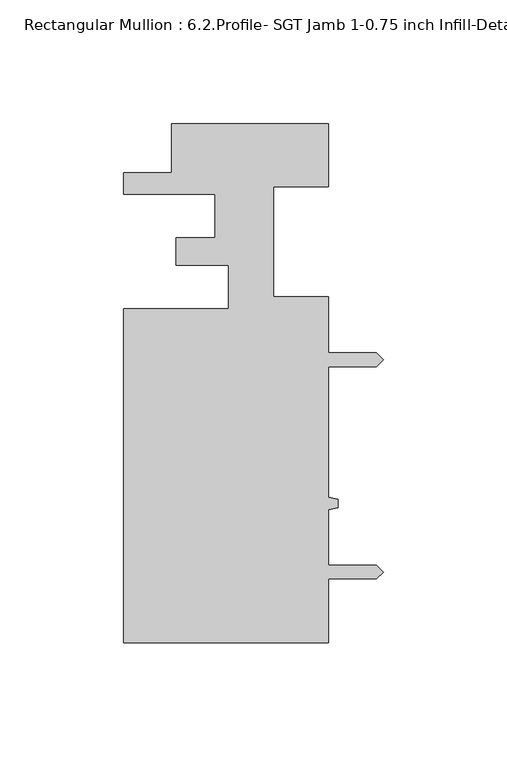
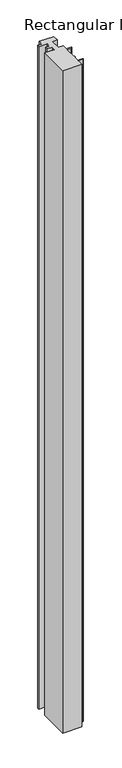
"""IFC4 building model written with IfcOpenShell, lengths in millimetres: member geometry, Rectangular Mullion : 6.2.Profile- SGT Jamb 1-0.75 inch Infill-Detail-5."""

from ifc_helpers import new_model, si_unit, frame, origin, place, context, project, spatial, polyline, outline, extrude, source, transform, mapped, element, save


def rectangular_mullion_6_2_profile_sgt_jamb_1_0_75_inch_infill_f25cdb6b(model_context):
    return source(origin(), model_context, "Body", "SweptSolid", [
        extrude(outline(polyline([(-22.0979492, -99.3353871), (-104.8648241, -99.3353871), (-104.8648241, 35.5716375), (-62.56015, 35.5716375), (-62.56015, 53.0646079), (-83.7190249, 53.0646079), (-83.7190249, 64.2848236), (-68.0250036, 64.2848236), (-68.0250036, 81.7793079), (-104.8648241, 81.7793079), (-104.8648241, 90.4713081), (-85.597951, 90.4713081), (-85.597951, 110.2146079), (-22.097951, 110.2146079), (-22.097951, 84.8594018), (-44.322836, 84.8594018), (-44.322836, 40.4094018), (-22.0979492, 40.4094018), (-22.0979492, 17.7078079), (-2.7432254, 17.7078079), (0.0, 14.9646218), (-2.7432254, 12.2214105), (-22.0979492, 12.2214105), (-22.0979492, -40.5172705), (-18.2879492, -41.4316696), (-18.2879492, -44.7336513), (-22.0979492, -45.6480504), (-22.0979492, -68.0171871), (-2.7432254, -68.0171871), (0.0, -70.7603731), (-2.7432254, -73.5035845), (-22.0979492, -73.5035845), (-22.0979492, -99.3353871)])), frame((0.0, 0.0, -3048.0), z_axis=(0.0, 0.0, 1.0), x_axis=(1.0, 0.0, 0.0)), (0.0, 0.0, 1.0), 3048.0),
    ])


if __name__ == "__main__":
    model = new_model("IFC4")
    model_context = context("Model", 3, world=origin())
    ifc_project = project(units=[si_unit("LENGTHUNIT", "METRE", prefix="MILLI")], contexts=[model_context])
    site = spatial("IfcSite", under=ifc_project)
    building = spatial("IfcBuilding", under=site)
    placement = place(None, origin())
    rectangular_mullion_6_2_profile_sgt_jamb_1_0_75_inch_infill_shape = rectangular_mullion_6_2_profile_sgt_jamb_1_0_75_inch_infill_f25cdb6b(model_context)
    element("IfcMember", 1, ObjectType="Rectangular Mullion : 6.2.Profile- SGT Jamb 1-0.75 inch Infill-Detail-5", at=placement, inside=building, context=model_context, shape_type="MappedRepresentation", body=[
        mapped(rectangular_mullion_6_2_profile_sgt_jamb_1_0_75_inch_infill_shape, transform((0.0, 0.0, 0.0), x_axis=(1.0, 0.0, 0.0), y_axis=(0.0, 1.0, 0.0), z_axis=(0.0, 0.0, 1.0))),
    ])
    save(model, "model.ifc")
